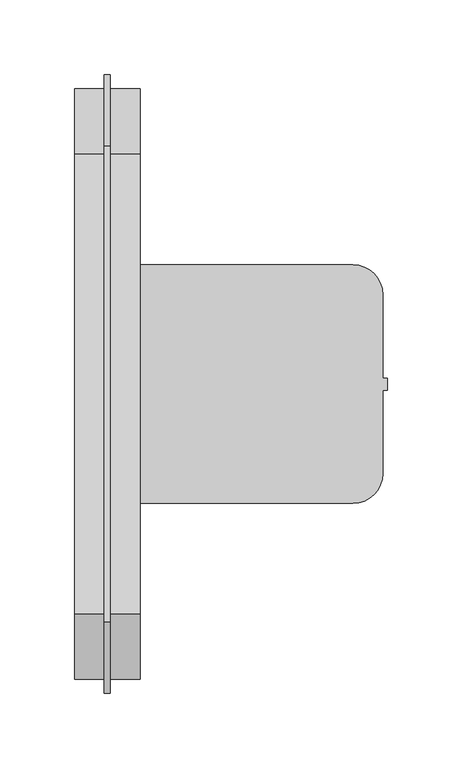
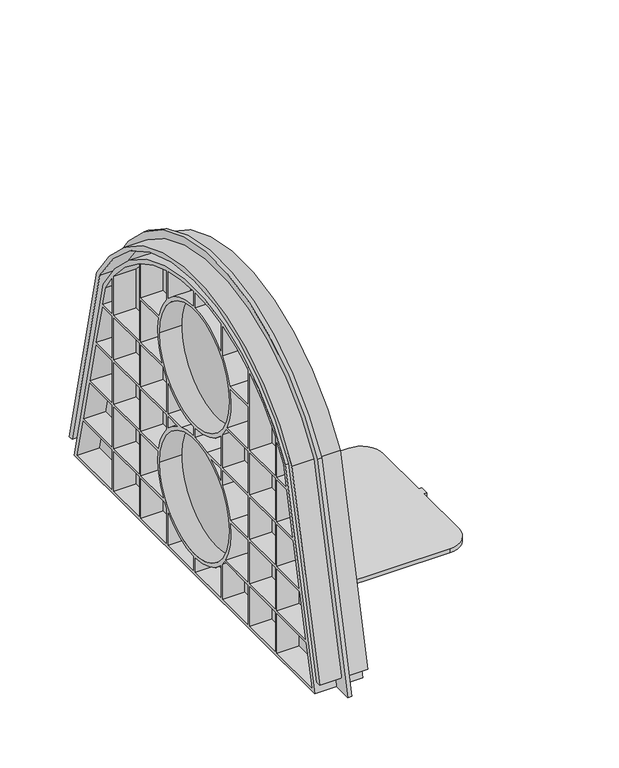
"""IFC4 building model written with IfcOpenShell, lengths in millimetres: proxy geometry."""

from ifc_helpers import new_model, si_unit, point, frame, frame_2d, origin, place, context, project, spatial, polyline, circle_curve, trimmed, segment, composite_curve, outline, extrude, source, transform, mapped, element, save


def specialty_equipment_e24a2adf(model_context):
    return source(origin(), model_context, "Body", "SweptSolid", [
        extrude(outline(composite_curve([segment(polyline([(-1133.5, 80.0), (-970.5, 80.0)]), True, "CONTINUOUS"), segment(trimmed(circle_curve(frame_2d((-970.5, 60.0)), 20.0), [point((-970.5, 80.0))], [point((-950.5, 60.0))], False, "CARTESIAN"), True, "CONTINUOUS"), segment(polyline([(-950.5, 60.0), (-950.5, 4.0), (-947.5, 4.0), (-947.5, -4.0), (-950.5, -4.0), (-950.5, -60.0)]), True, "CONTINUOUS"), segment(trimmed(circle_curve(frame_2d((-970.5, -60.0)), 20.0), [point((-950.5, -60.0))], [point((-970.5, -80.0))], False, "CARTESIAN"), True, "CONTINUOUS"), segment(polyline([(-970.5, -80.0), (-1133.5, -80.0), (-1133.5, 80.0)]), True, "CONTINUOUS")], self_intersect=False)), frame((0.0, 0.0, 3.85), z_axis=(0.0, 0.0, 1.0), x_axis=(1.0, 0.0, 0.0)), (0.0, 0.0, 1.0), 4.0),
        extrude(outline(composite_curve([segment(polyline([(154.1500892, 198.0), (198.0, 13.0), (193.3766643, 13.0), (149.5267535, 198.0)]), True, "CONTINUOUS"), segment(trimmed(circle_curve(frame_2d((0.0, 110.0)), 173.5), [point((149.5267535, 198.0))], [point((-149.5267535, 198.0))], True, "CARTESIAN"), True, "CONTINUOUS"), segment(polyline([(-149.5267535, 198.0), (-193.3766643, 13.0), (-198.0, 13.0), (-154.1500892, 198.0)]), True, "CONTINUOUS"), segment(trimmed(circle_curve(frame_2d((0.0, 110.0)), 177.5), [point((-154.1500892, 198.0))], [point((154.1500892, 198.0))], False, "CARTESIAN"), True, "CONTINUOUS")], self_intersect=False)), frame((-1157.5, 0.0, 0.0), z_axis=(1.0, 0.0, 0.0), x_axis=(0.0, 1.0, 0.0)), (0.0, 0.0, 1.0), 44.0),
        extrude(outline(composite_curve([segment(polyline([(144.0, 193.0), (190.0, 0.0), (-190.0, 0.0), (-144.0, 193.0)]), True, "CONTINUOUS"), segment(trimmed(circle_curve(frame_2d((0.0, 110.4167087)), 166.0), [point((-144.0, 193.0))], [point((144.0, 193.0))], False, "CARTESIAN"), True, "CONTINUOUS")], self_intersect=False), holes=[polyline([(-145.3698207, 170.0), (-154.9034995, 130.0), (-130.5, 130.0), (-130.5, 170.0), (-145.3698207, 170.0)]), composite_curve([segment(trimmed(circle_curve(frame_2d((0.0, 110.4167087)), 162.0), [point((-130.5, 206.4049892))], [point((-140.243697, 191.5074323))], True, "CARTESIAN"), True, "CONTINUOUS"), segment(polyline([(-140.243697, 191.5074323), (-144.6547948, 173.0), (-130.5, 173.0), (-130.5, 206.4049892)]), True, "CONTINUOUS")], self_intersect=False), polyline([(-130.5, 84.0), (-165.8672301, 84.0), (-175.4009088, 44.0), (-130.5, 44.0), (-130.5, 84.0)]), polyline([(-130.5, 41.0), (-176.1159347, 41.0), (-185.1729296, 3.0), (-130.5, 3.0), (-130.5, 41.0)]), polyline([(-155.6185254, 127.0), (-165.1522042, 87.0), (-130.5, 87.0), (-130.5, 127.0), (-155.6185254, 127.0)]), polyline([(-87.5, 41.0), (-127.5, 41.0), (-127.5, 3.0), (-87.5, 3.0), (-87.5, 41.0)]), polyline([(-127.5, 84.0), (-127.5, 44.0), (-87.5, 44.0), (-87.5, 84.0), (-127.5, 84.0)]), polyline([(-127.5, 127.0), (-127.5, 87.0), (-87.5, 87.0), (-87.5, 127.0), (-127.5, 127.0)]), composite_curve([segment(trimmed(circle_curve(frame_2d((0.0, 110.4167087)), 162.0), [point((-87.5, 246.7536076))], [point((-127.5, 210.3554399))], True, "CARTESIAN"), True, "CONTINUOUS"), segment(polyline([(-127.5, 210.3554399), (-127.5, 173.0), (-87.5, 173.0), (-87.5, 246.7536076)]), True, "CONTINUOUS")], self_intersect=False), polyline([(-127.5, 170.0), (-127.5, 130.0), (-87.5, 130.0), (-87.5, 170.0), (-127.5, 170.0)]), composite_curve([segment(polyline([(-57.0372685, 213.0), (-84.5, 213.0), (-84.5, 173.0), (-51.8965317, 173.0)]), True, "CONTINUOUS"), segment(trimmed(circle_curve(frame_2d((0.0, 200.0)), 58.5), [point((-51.8965317, 173.0))], [point((-57.0372685, 213.0))], False, "CARTESIAN"), True, "CONTINUOUS")], self_intersect=False), composite_curve([segment(polyline([(-57.8035466, 84.0), (-84.5, 84.0), (-84.5, 44.0), (-49.6109867, 44.0)]), True, "CONTINUOUS"), segment(trimmed(circle_curve(frame_2d((0.0, 75.0)), 58.5), [point((-49.6109867, 44.0))], [point((-57.8035466, 84.0))], False, "CARTESIAN"), True, "CONTINUOUS")], self_intersect=False), composite_curve([segment(trimmed(circle_curve(frame_2d((0.0, 110.4167087)), 162.0), [point((-44.5, 266.1849661))], [point((-84.5, 248.6330247))], True, "CARTESIAN"), True, "CONTINUOUS"), segment(polyline([(-84.5, 248.6330247), (-84.5, 216.0), (-56.2694411, 216.0)]), True, "CONTINUOUS"), segment(trimmed(circle_curve(frame_2d((0.0, 200.0)), 58.5), [point((-56.2694411, 216.0))], [point((-44.5, 237.9736751))], False, "CARTESIAN"), True, "CONTINUOUS"), segment(polyline([(-44.5, 237.9736751), (-44.5, 266.1849661)]), True, "CONTINUOUS")], self_intersect=False), composite_curve([segment(trimmed(circle_curve(frame_2d((0.0, 75.0)), 58.5), [point((-44.5, 37.0263249))], [point((-47.6051468, 41.0))], False, "CARTESIAN"), True, "CONTINUOUS"), segment(polyline([(-47.6051468, 41.0), (-84.5, 41.0), (-84.5, 3.0), (-44.5, 3.0), (-44.5, 37.0263249)]), True, "CONTINUOUS")], self_intersect=False), composite_curve([segment(polyline([(-44.5, 127.0), (-84.5, 127.0), (-84.5, 87.0), (-57.2560041, 87.0)]), True, "CONTINUOUS"), segment(trimmed(circle_curve(frame_2d((0.0, 75.0)), 58.5), [point((-57.2560041, 87.0))], [point((-44.5, 112.9736751))], False, "CARTESIAN"), True, "CONTINUOUS"), segment(polyline([(-44.5, 112.9736751), (-44.5, 127.0)]), True, "CONTINUOUS")], self_intersect=False), composite_curve([segment(trimmed(circle_curve(frame_2d((0.0, 200.0)), 58.5), [point((-44.5, 162.0263249))], [point((-50.2220071, 170.0))], False, "CARTESIAN"), True, "CONTINUOUS"), segment(polyline([(-50.2220071, 170.0), (-84.5, 170.0), (-84.5, 130.0), (-44.5, 130.0), (-44.5, 162.0263249)]), True, "CONTINUOUS")], self_intersect=False), composite_curve([segment(polyline([(-41.5, 127.0), (-41.5, 116.2310563)]), True, "CONTINUOUS"), segment(trimmed(circle_curve(frame_2d((0.0, 75.0)), 58.5), [point((-41.5, 116.2310563))], [point((-26.8001866, 127.0))], False, "CARTESIAN"), True, "CONTINUOUS"), segment(polyline([(-26.8001866, 127.0), (-41.5, 127.0)]), True, "CONTINUOUS")], self_intersect=False), composite_curve([segment(trimmed(circle_curve(frame_2d((0.0, 110.4167087)), 162.0), [point((-1.5, 272.4097641))], [point((-41.5, 267.0109296))], True, "CARTESIAN"), True, "CONTINUOUS"), segment(polyline([(-41.5, 267.0109296), (-41.5, 241.2310563)]), True, "CONTINUOUS"), segment(trimmed(circle_curve(frame_2d((0.0, 200.0)), 58.5), [point((-41.5, 241.2310563))], [point((-1.5, 258.4807661))], False, "CARTESIAN"), True, "CONTINUOUS"), segment(polyline([(-1.5, 258.4807661), (-1.5, 272.4097641)]), True, "CONTINUOUS")], self_intersect=False), composite_curve([segment(trimmed(circle_curve(frame_2d((0.0, 200.0)), 58.5), [point((-1.5, 141.5192339))], [point((-41.5, 158.7689437))], False, "CARTESIAN"), True, "CONTINUOUS"), segment(polyline([(-41.5, 158.7689437), (-41.5, 130.0), (-19.9311314, 130.0)]), True, "CONTINUOUS"), segment(trimmed(circle_curve(frame_2d((0.0, 75.0)), 58.5), [point((-19.9311314, 130.0))], [point((-1.5, 133.4807661))], False, "CARTESIAN"), True, "CONTINUOUS"), segment(polyline([(-1.5, 133.4807661), (-1.5, 141.5192339)]), True, "CONTINUOUS")], self_intersect=False), composite_curve([segment(trimmed(circle_curve(frame_2d((0.0, 75.0)), 58.5), [point((-1.5, 16.5192339))], [point((-41.5, 33.7689437))], False, "CARTESIAN"), True, "CONTINUOUS"), segment(polyline([(-41.5, 33.7689437), (-41.5, 3.0), (-1.5, 3.0), (-1.5, 16.5192339)]), True, "CONTINUOUS")], self_intersect=False), composite_curve([segment(trimmed(circle_curve(frame_2d((0.0, 110.4167087)), 162.0), [point((41.5, 267.0109296))], [point((1.5, 272.4097641))], True, "CARTESIAN"), True, "CONTINUOUS"), segment(polyline([(1.5, 272.4097641), (1.5, 258.4807661)]), True, "CONTINUOUS"), segment(trimmed(circle_curve(frame_2d((0.0, 200.0)), 58.5), [point((1.5, 258.4807661))], [point((41.5, 241.2310563))], False, "CARTESIAN"), True, "CONTINUOUS"), segment(polyline([(41.5, 241.2310563), (41.5, 267.0109296)]), True, "CONTINUOUS")], self_intersect=False), composite_curve([segment(trimmed(circle_curve(frame_2d((0.0, 75.0)), 58.5), [point((41.5, 33.7689437))], [point((1.5, 16.5192339))], False, "CARTESIAN"), True, "CONTINUOUS"), segment(polyline([(1.5, 16.5192339), (1.5, 3.0), (41.5, 3.0), (41.5, 33.7689437)]), True, "CONTINUOUS")], self_intersect=False), composite_curve([segment(polyline([(1.5, 141.5192339), (1.5, 133.4807661)]), True, "CONTINUOUS"), segment(trimmed(circle_curve(frame_2d((0.0, 75.0)), 58.5), [point((1.5, 133.4807661))], [point((19.9311314, 130.0))], False, "CARTESIAN"), True, "CONTINUOUS"), segment(polyline([(19.9311314, 130.0), (41.5, 130.0), (41.5, 158.7689437)]), True, "CONTINUOUS"), segment(trimmed(circle_curve(frame_2d((0.0, 200.0)), 58.5), [point((41.5, 158.7689437))], [point((1.5, 141.5192339))], False, "CARTESIAN"), True, "CONTINUOUS")], self_intersect=False), composite_curve([segment(trimmed(circle_curve(frame_2d((0.0, 75.0)), 58.5), [point((26.8001866, 127.0))], [point((41.5, 116.2310563))], False, "CARTESIAN"), True, "CONTINUOUS"), segment(polyline([(41.5, 116.2310563), (41.5, 127.0), (26.8001866, 127.0)]), True, "CONTINUOUS")], self_intersect=False), composite_curve([segment(trimmed(circle_curve(frame_2d((0.0, 75.0)), 55.0), [point((55.0, 75.0))], [point((-55.0, 75.0))], True, "CARTESIAN"), True, "CONTINUOUS"), segment(trimmed(circle_curve(frame_2d((0.0, 75.0)), 55.0), [point((-55.0, 75.0))], [point((55.0, 75.0))], True, "CARTESIAN"), True, "CONTINUOUS")], self_intersect=False), composite_curve([segment(trimmed(circle_curve(frame_2d((0.0, 200.0)), 55.0), [point((55.0, 200.0))], [point((-55.0, 200.0))], True, "CARTESIAN"), True, "CONTINUOUS"), segment(trimmed(circle_curve(frame_2d((0.0, 200.0)), 55.0), [point((-55.0, 200.0))], [point((55.0, 200.0))], True, "CARTESIAN"), True, "CONTINUOUS")], self_intersect=False), composite_curve([segment(polyline([(84.5, 41.0), (47.6051468, 41.0)]), True, "CONTINUOUS"), segment(trimmed(circle_curve(frame_2d((0.0, 75.0)), 58.5), [point((47.6051468, 41.0))], [point((44.5, 37.0263249))], False, "CARTESIAN"), True, "CONTINUOUS"), segment(polyline([(44.5, 37.0263249), (44.5, 3.0), (84.5, 3.0), (84.5, 41.0)]), True, "CONTINUOUS")], self_intersect=False), composite_curve([segment(trimmed(circle_curve(frame_2d((0.0, 75.0)), 58.5), [point((57.8035466, 84.0))], [point((49.6109867, 44.0))], False, "CARTESIAN"), True, "CONTINUOUS"), segment(polyline([(49.6109867, 44.0), (84.5, 44.0), (84.5, 84.0), (57.8035466, 84.0)]), True, "CONTINUOUS")], self_intersect=False), composite_curve([segment(polyline([(44.5, 127.0), (44.5, 112.9736751)]), True, "CONTINUOUS"), segment(trimmed(circle_curve(frame_2d((0.0, 75.0)), 58.5), [point((44.5, 112.9736751))], [point((57.2560041, 87.0))], False, "CARTESIAN"), True, "CONTINUOUS"), segment(polyline([(57.2560041, 87.0), (84.5, 87.0), (84.5, 127.0), (44.5, 127.0)]), True, "CONTINUOUS")], self_intersect=False), composite_curve([segment(trimmed(circle_curve(frame_2d((0.0, 200.0)), 58.5), [point((50.2220071, 170.0))], [point((44.5, 162.0263249))], False, "CARTESIAN"), True, "CONTINUOUS"), segment(polyline([(44.5, 162.0263249), (44.5, 130.0), (84.5, 130.0), (84.5, 170.0), (50.2220071, 170.0)]), True, "CONTINUOUS")], self_intersect=False), composite_curve([segment(trimmed(circle_curve(frame_2d((0.0, 200.0)), 58.5), [point((57.0372685, 213.0))], [point((51.8965317, 173.0))], False, "CARTESIAN"), True, "CONTINUOUS"), segment(polyline([(51.8965317, 173.0), (84.5, 173.0), (84.5, 213.0), (57.0372685, 213.0)]), True, "CONTINUOUS")], self_intersect=False), composite_curve([segment(trimmed(circle_curve(frame_2d((0.0, 110.4167087)), 162.0), [point((84.5, 248.6330247))], [point((44.5, 266.1849661))], True, "CARTESIAN"), True, "CONTINUOUS"), segment(polyline([(44.5, 266.1849661), (44.5, 237.9736751)]), True, "CONTINUOUS"), segment(trimmed(circle_curve(frame_2d((0.0, 200.0)), 58.5), [point((44.5, 237.9736751))], [point((56.2694411, 216.0))], False, "CARTESIAN"), True, "CONTINUOUS"), segment(polyline([(56.2694411, 216.0), (84.5, 216.0), (84.5, 248.6330247)]), True, "CONTINUOUS")], self_intersect=False), composite_curve([segment(trimmed(circle_curve(frame_2d((0.0, 110.4167087)), 162.0), [point((127.5, 210.3554399))], [point((87.5, 246.7536076))], True, "CARTESIAN"), True, "CONTINUOUS"), segment(polyline([(87.5, 246.7536076), (87.5, 173.0), (127.5, 173.0), (127.5, 210.3554399)]), True, "CONTINUOUS")], self_intersect=False), polyline([(87.5, 41.0), (87.5, 3.0), (127.5, 3.0), (127.5, 41.0), (87.5, 41.0)]), polyline([(87.5, 84.0), (87.5, 44.0), (127.5, 44.0), (127.5, 84.0), (87.5, 84.0)]), polyline([(87.5, 127.0), (87.5, 87.0), (127.5, 87.0), (127.5, 127.0), (87.5, 127.0)]), polyline([(87.5, 170.0), (87.5, 130.0), (127.5, 130.0), (127.5, 170.0), (87.5, 170.0)]), composite_curve([segment(trimmed(circle_curve(frame_2d((0.0, 110.4167087)), 162.0), [point((140.243697, 191.5074323))], [point((130.5, 206.4049892))], True, "CARTESIAN"), True, "CONTINUOUS"), segment(polyline([(130.5, 206.4049892), (130.5, 173.0), (144.6547948, 173.0), (140.243697, 191.5074323)]), True, "CONTINUOUS")], self_intersect=False), polyline([(145.3698207, 170.0), (130.5, 170.0), (130.5, 130.0), (154.9034995, 130.0), (145.3698207, 170.0)]), polyline([(155.6185254, 127.0), (130.5, 127.0), (130.5, 87.0), (165.1522042, 87.0), (155.6185254, 127.0)]), polyline([(165.8672301, 84.0), (130.5, 84.0), (130.5, 44.0), (175.4009088, 44.0), (165.8672301, 84.0)]), polyline([(176.1159347, 41.0), (130.5, 41.0), (130.5, 3.0), (185.1729296, 3.0), (176.1159347, 41.0)])]), frame((-1157.5, 0.0, 0.0), z_axis=(1.0, 0.0, 0.0), x_axis=(0.0, 1.0, 0.0)), (0.0, 0.0, 1.0), 44.0),
        extrude(outline(composite_curve([segment(polyline([(159.5, 201.0), (207.5, 0.0), (-207.5, 0.0), (-159.5, 201.0)]), True, "CONTINUOUS"), segment(trimmed(circle_curve(frame_2d((0.0, 112.6795393)), 182.32047), [point((-159.5, 201.0))], [point((159.5, 201.0))], False, "CARTESIAN"), True, "CONTINUOUS")], self_intersect=False)), frame((-1137.5, 0.0, 0.0), z_axis=(1.0, 0.0, 0.0), x_axis=(0.0, 1.0, 0.0)), (0.0, 0.0, 1.0), 4.0),
    ])


if __name__ == "__main__":
    model = new_model("IFC4")
    model_context = context("Model", 3, world=origin())
    ifc_project = project(units=[si_unit("LENGTHUNIT", "METRE", prefix="MILLI")], contexts=[model_context])
    site = spatial("IfcSite", under=ifc_project)
    building = spatial("IfcBuilding", under=site)
    placement = place(None, origin())
    specialty_equipment_shape = specialty_equipment_e24a2adf(model_context)
    element("IfcBuildingElementProxy", 1, Name="Specialty Equipment", at=placement, inside=building, context=model_context, shape_type="MappedRepresentation", body=[
        mapped(specialty_equipment_shape, transform((0.0, 0.0, 0.0), x_axis=(1.0, 0.0, 0.0), y_axis=(0.0, 1.0, 0.0), z_axis=(0.0, 0.0, 1.0))),
    ])
    save(model, "model.ifc")
